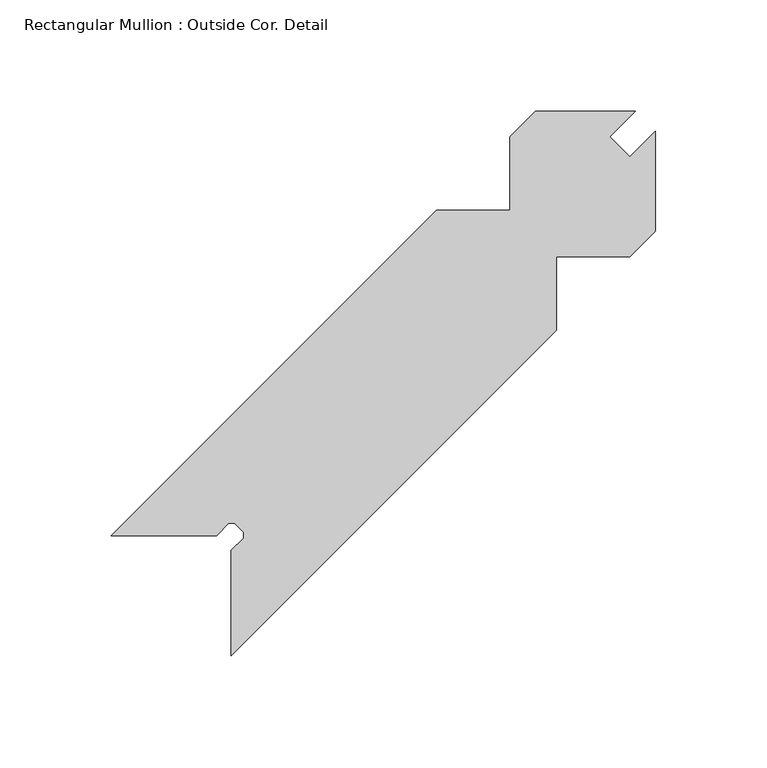
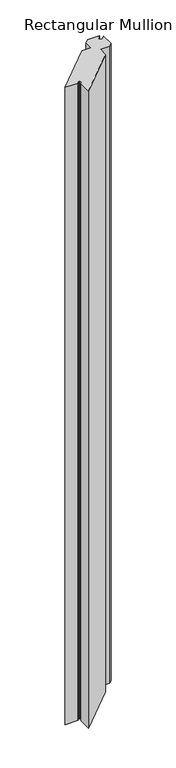
"""IFC4 building model written with IfcOpenShell, lengths in millimetres: member geometry, Rectangular Mullion : Outside Cor. Detail."""

import ifcopenshell
import ifcopenshell.guid

model = None  # the IFC model being written
_history = None  # IfcOwnerHistory: only IFC2X3 demands one
_inside = {}  # id of a spatial element -> (the spatial element, [elements in it])
_under = {}  # id of a project, library or spatial element -> (it, [spatial elements below it])
_declared = {}  # id of a project -> (the project, [libraries it declares])
_typed = {}  # id of a type object -> (the type object, [elements of that type])
_made_of = {}  # id of a material, layer set ... -> (it, [elements and type objects made of it])


def new_model(schema):
    """Start an empty IFC model of exactly this schema.

    Asked for "IFC4X3", IfcOpenShell would pick the latest addendum, in which some entities
    have other attributes; the version numbers below select the first issue.
    IFC2X3 requires an IfcOwnerHistory on every rooted entity: one is made here for all.
    """
    global model, _history
    if schema == "IFC4X3":
        model = ifcopenshell.file(schema_version=(4, 3, 0, 0))
    else:
        model = ifcopenshell.file(schema=schema)
    _inside.clear()
    _under.clear()
    _declared.clear()
    _typed.clear()
    _made_of.clear()
    _history = None
    if model.schema == "IFC2X3":
        org = make("IfcOrganization", Name="unknown")
        user = make(
            "IfcPersonAndOrganization",
            ThePerson=make("IfcPerson", FamilyName="unknown"),
            TheOrganization=org,
        )
        app = make(
            "IfcApplication",
            ApplicationDeveloper=org,
            Version="unknown",
            ApplicationFullName="unknown",
            ApplicationIdentifier="unknown",
        )
        _history = make(
            "IfcOwnerHistory",
            OwningUser=user,
            OwningApplication=app,
            ChangeAction="ADDED",
            CreationDate=0,
        )
    return model


def make(cls, **values):
    """One entity of the class cls with the attributes given. An attribute that is None is left unset."""
    return model.create_entity(
        cls, **{name: value for name, value in values.items() if value is not None}
    )


def rooted(cls, **values):
    """An entity with a GlobalId (a new one), such as an element, a storey or a relation."""
    return make(cls, GlobalId=ifcopenshell.guid.new(), OwnerHistory=_history, **values)


def si_unit(unit_type, name, prefix=None):
    """IfcSIUnit, for example si_unit("LENGTHUNIT", "METRE", prefix="MILLI")."""
    return make("IfcSIUnit", UnitType=unit_type, Prefix=prefix, Name=name)


def assignment(units):
    """IfcUnitAssignment: the units of a project."""
    return None if units is None else make("IfcUnitAssignment", Units=units)


def point(xyz):
    """IfcCartesianPoint."""
    return None if xyz is None else make("IfcCartesianPoint", Coordinates=xyz)


def direction(xyz):
    """IfcDirection."""
    return None if xyz is None else make("IfcDirection", DirectionRatios=xyz)


def frame(location, z_axis=None, x_axis=None):
    """IfcAxis2Placement3D, a coordinate frame: its origin and axes. An axis left out is left unset."""
    return make(
        "IfcAxis2Placement3D",
        Location=point(location),
        Axis=direction(z_axis),
        RefDirection=direction(x_axis),
    )


def origin():
    """The frame at (0, 0, 0) with its axes left unset."""
    return frame((0.0, 0.0, 0.0))


def place(relative_to, where):
    """IfcLocalPlacement: puts the frame where relative to a parent placement (None: the world)."""
    return make(
        "IfcLocalPlacement", PlacementRelTo=relative_to, RelativePlacement=where
    )


def context(
    kind, dimensions, precision=None, world=None, true_north=None, identifier=None
):
    """IfcGeometricRepresentationContext, for example the 3D "Model" context."""
    return make(
        "IfcGeometricRepresentationContext",
        ContextIdentifier=identifier,
        ContextType=kind,
        CoordinateSpaceDimension=dimensions,
        Precision=precision,
        WorldCoordinateSystem=world,
        TrueNorth=true_north,
    )


def project(units=None, contexts=None):
    """IfcProject with its units and contexts."""
    return rooted(
        "IfcProject",
        Name="project",
        RepresentationContexts=contexts,
        UnitsInContext=assignment(units),
    )


def spatial(cls, under=None, at=None, **own):
    """A site, building, storey or space (cls), placed at a placement, below another one or the project."""
    s = rooted(cls, ObjectPlacement=at, **own)
    if under is not None:
        _under.setdefault(under.id(), (under, []))[1].append(s)
    return s


def polyline(points):
    """IfcPolyline through the points."""
    return make("IfcPolyline", Points=[point(p) for p in points])


def outline(outer, holes=None, kind="AREA"):
    """IfcArbitraryClosedProfileDef: a profile drawn as a closed curve; with holes, ...WithVoids."""
    if holes is None:
        return make("IfcArbitraryClosedProfileDef", ProfileType=kind, OuterCurve=outer)
    return make(
        "IfcArbitraryProfileDefWithVoids",
        ProfileType=kind,
        OuterCurve=outer,
        InnerCurves=holes,
    )


def extrude(swept, where, along, depth):
    """IfcExtrudedAreaSolid: the profile swept, set in the frame where, extruded along a direction by depth."""
    return make(
        "IfcExtrudedAreaSolid",
        SweptArea=swept,
        Position=where,
        ExtrudedDirection=direction(along),
        Depth=depth,
    )


def shape(context_of_items, identifier, shape_type, items):
    """IfcShapeRepresentation: the items that make up one representation, for example the "Body"."""
    return make(
        "IfcShapeRepresentation",
        ContextOfItems=context_of_items,
        RepresentationIdentifier=identifier,
        RepresentationType=shape_type,
        Items=items,
    )


def source(mapping_origin, context_of_items, identifier, shape_type, items):
    """IfcRepresentationMap: a shape defined once, which mapped items show again and again."""
    return make(
        "IfcRepresentationMap",
        MappingOrigin=mapping_origin,
        MappedRepresentation=shape(context_of_items, identifier, shape_type, items),
    )


def transform(
    local_origin,
    x_axis=None,
    y_axis=None,
    z_axis=None,
    scale=None,
    scale2=None,
    scale3=None,
    uniform=True,
):
    """IfcCartesianTransformationOperator3D, or its non-uniform kind. x_axis, y_axis, z_axis: its Axis1, 2, 3."""
    if uniform:
        return make(
            "IfcCartesianTransformationOperator3D",
            Axis1=direction(x_axis),
            Axis2=direction(y_axis),
            LocalOrigin=point(local_origin),
            Scale=scale,
            Axis3=direction(z_axis),
        )
    return make(
        "IfcCartesianTransformationOperator3DnonUniform",
        Axis1=direction(x_axis),
        Axis2=direction(y_axis),
        LocalOrigin=point(local_origin),
        Scale=scale,
        Axis3=direction(z_axis),
        Scale2=scale2,
        Scale3=scale3,
    )


def mapped(mapping_source, mapping_target):
    """IfcMappedItem: shows the shape of a source again, moved by a transform."""
    return make(
        "IfcMappedItem", MappingSource=mapping_source, MappingTarget=mapping_target
    )


def made_of(thing, what):
    """Note that an element or type object is made of a material, layer set ...; save() writes the relation."""
    if what is not None:
        _made_of.setdefault(what.id(), (what, []))[1].append(thing)
    return thing


def element(
    cls,
    number,
    at=None,
    inside=None,
    cuts=None,
    type_object=None,
    material=None,
    context=None,
    identifier="Body",
    shape_type=None,
    held_by="IfcProductDefinitionShape",
    body=None,
    shapes=None,
    **own,
):
    """One element of the class cls, such as IfcWall. Its Tag is "e" and its number.

    at: its placement. inside: the storey or other place that contains it. cuts: it is an
    opening in that element (IfcRelVoidsElement). A single representation is given by context,
    identifier, shape_type and body (its items); several are given by shapes. held_by: the class
    of the entity that holds the representations. save() writes the other relations.
    """
    e = rooted(cls, Tag="e%d" % number, ObjectPlacement=at, **own)
    if body is not None:
        shapes = [shape(context, identifier, shape_type, body)]
    if shapes is not None:
        e.Representation = make(held_by, Representations=shapes)
    if inside is not None:
        _inside.setdefault(inside.id(), (inside, []))[1].append(e)
    if cuts is not None:
        rooted(
            "IfcRelVoidsElement", RelatingBuildingElement=cuts, RelatedOpeningElement=e
        )
    if type_object is not None:
        _typed.setdefault(type_object.id(), (type_object, []))[1].append(e)
    return made_of(e, material)


def aggregate(whole, parts):
    """IfcRelAggregates: a whole, such as a stair, and the parts it consists of."""
    return rooted("IfcRelAggregates", RelatingObject=whole, RelatedObjects=parts)


def save(model, path):
    """Write the relations noted so far, then the file.

    IfcRelAggregates (storeys below a building ...), IfcRelContainedInSpatialStructure (elements
    in a storey), IfcRelDefinesByType, IfcRelAssociatesMaterial and IfcRelDeclares: one each for
    every whole, place, type object, material and project.
    """
    for whole, parts in _under.values():
        aggregate(whole, parts)
    for where, things in _inside.values():
        rooted(
            "IfcRelContainedInSpatialStructure",
            RelatedElements=things,
            RelatingStructure=where,
        )
    for kind, things in _typed.values():
        rooted("IfcRelDefinesByType", RelatedObjects=things, RelatingType=kind)
    for what, things in _made_of.values():
        rooted("IfcRelAssociatesMaterial", RelatedObjects=things, RelatingMaterial=what)
    for by, libraries in _declared.values():
        rooted("IfcRelDeclares", RelatingContext=by, RelatedDefinitions=libraries)
    model.write(path)


def rectangular_mullion_outside_cor_detail_bb064f07(model_context):
    return source(origin(), model_context, "Body", "SweptSolid", [
        extrude(outline(polyline([(-130.1814567, -19.2433832), (-97.1614567, -19.2433832), (-97.1614567, 13.7766168), (-85.7314567, 25.2066168), (-40.8496567, 25.2066168), (-52.2943096, 13.7619639), (-43.2945729, 4.7622271), (-31.8499199, 16.2068801), (-31.8499199, -28.6749199), (-43.2799199, -40.1049199), (-76.2999199, -40.1049199), (-76.2999199, -73.1249199), (-222.3499199, -219.1749199), (-222.3499199, -171.9309199), (-216.8381199, -166.4191199), (-216.8381199, -163.7013199), (-220.7497199, -159.7897199), (-223.4837934, -159.7897199), (-228.9874567, -165.2933832), (-276.2314567, -165.2933832), (-130.1814567, -19.2433832)])), frame((0.0, 0.0, -2438.4), z_axis=(0.0, 0.0, 1.0), x_axis=(1.0, 0.0, 0.0)), (0.0, 0.0, 1.0), 2438.4),
    ])


if __name__ == "__main__":
    model = new_model("IFC4")
    model_context = context("Model", 3, world=origin())
    ifc_project = project(units=[si_unit("LENGTHUNIT", "METRE", prefix="MILLI")], contexts=[model_context])
    site = spatial("IfcSite", under=ifc_project)
    building = spatial("IfcBuilding", under=site)
    placement = place(None, origin())
    rectangular_mullion_outside_cor_detail_shape = rectangular_mullion_outside_cor_detail_bb064f07(model_context)
    element("IfcMember", 1, ObjectType="Rectangular Mullion : Outside Cor. Detail", at=placement, inside=building, context=model_context, shape_type="MappedRepresentation", body=[
        mapped(rectangular_mullion_outside_cor_detail_shape, transform((0.0, 0.0, 0.0), x_axis=(1.0, 0.0, 0.0), y_axis=(0.0, 1.0, 0.0), z_axis=(0.0, 0.0, 1.0))),
    ])
    save(model, "model.ifc")
